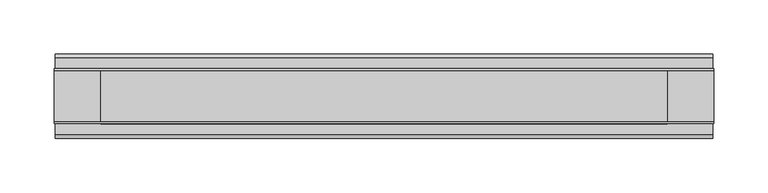
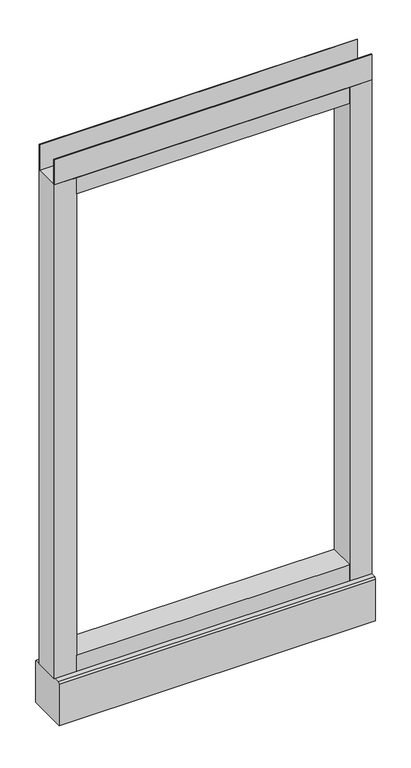
"""IFC4 building model written with IfcOpenShell, lengths in millimetres: furniture geometry."""

from ifc_helpers import new_model, si_unit, point, frame, frame_2d, origin, place, context, project, spatial, polyline, circle_curve, trimmed, segment, composite_curve, outline, extrude, source, transform, mapped, element, save
from ifc_brep_helpers import plane_surface, revolved_surface, advanced_brep


def furniture_0b25f102(model_context):
    return source(origin(), model_context, "Body", "SolidModel", [
        advanced_brep(
        [(234.95, 0.0, 6.35), (260.35, 0.0, 6.35), (228.6, 0.0, 0.0), (266.7, 0.0, 0.0)],
        [
            (0, 1, circle_curve(frame((247.65, 0.0, 6.35), z_axis=(0.0, 0.0, 1.0), x_axis=(-1.0, 0.0, 0.0)), 12.7)),
            (1, 0, circle_curve(frame((247.65, 0.0, 6.35), z_axis=(0.0, 0.0, 1.0), x_axis=(1.0, 0.0, 0.0)), 12.7)),
            (2, 3, circle_curve(frame((247.65, 0.0, 0.0), z_axis=(0.0, 0.0, -1.0), x_axis=(1.0, 0.0, 0.0)), 19.05)),
            (3, 2, circle_curve(frame((247.65, 0.0, 0.0), z_axis=(0.0, 0.0, -1.0), x_axis=(-1.0, 0.0, 0.0)), 19.05)),
            (3, 1),
            (0, 2),
        ],
        [
            plane_surface(frame((247.65, 0.0, 6.35), z_axis=(0.0, 0.0, 1.0), x_axis=(0.0, -1.0, 0.0))),
            plane_surface(frame((247.65, 0.0, 0.0), z_axis=(0.0, 0.0, -1.0), x_axis=(0.0, -1.0, 0.0))),
            revolved_surface(polyline([(234.95, 0.0, 6.35), (228.6, 0.0, 0.0)]), (247.65, 0.0, 19.05), (0.0, 0.0, -1.0)),
            revolved_surface(polyline([(260.35, 0.0, 6.35), (266.7, 0.0, 0.0)]), (247.65, 0.0, 19.05), (0.0, 0.0, -1.0)),
        ],
        [
            (0, [[1, 2]]),
            (1, [[3, 4]]),
            (2, [[-4, 5, -1, 6]]),
            (3, [[-3, -6, -2, -5]]),
        ],
    ),
        advanced_brep(
        [(-260.35, 0.0, 6.35), (-234.95, 0.0, 6.35), (-266.7, 0.0, 0.0), (-228.6, 0.0, 0.0)],
        [
            (0, 1, circle_curve(frame((-247.65, 0.0, 6.35), z_axis=(0.0, 0.0, 1.0), x_axis=(-1.0, 0.0, 0.0)), 12.7)),
            (1, 0, circle_curve(frame((-247.65, 0.0, 6.35), z_axis=(0.0, 0.0, 1.0), x_axis=(1.0, 0.0, 0.0)), 12.7)),
            (2, 3, circle_curve(frame((-247.65, 0.0, 0.0), z_axis=(0.0, 0.0, -1.0), x_axis=(1.0, 0.0, 0.0)), 19.05)),
            (3, 2, circle_curve(frame((-247.65, 0.0, 0.0), z_axis=(0.0, 0.0, -1.0), x_axis=(-1.0, 0.0, 0.0)), 19.05)),
            (3, 1),
            (0, 2),
        ],
        [
            plane_surface(frame((-247.65, 0.0, 6.35), z_axis=(0.0, 0.0, 1.0), x_axis=(0.0, -1.0, 0.0))),
            plane_surface(frame((-247.65, 0.0, 0.0), z_axis=(0.0, 0.0, -1.0), x_axis=(0.0, -1.0, 0.0))),
            revolved_surface(polyline([(-260.35, 0.0, 6.35), (-266.7, 0.0, 0.0)]), (-247.65, 0.0, 19.05), (0.0, 0.0, -1.0)),
            revolved_surface(polyline([(-234.95, 0.0, 6.35), (-228.6, 0.0, 0.0)]), (-247.65, 0.0, 19.05), (0.0, 0.0, -1.0)),
        ],
        [
            (0, [[1, 2]]),
            (1, [[3, 4]]),
            (2, [[-4, 5, -1, 6]]),
            (3, [[-3, -6, -2, -5]]),
        ],
    ),
        extrude(outline(polyline([(304.8, -23.8125), (304.8, -25.4), (-304.8, -25.4), (-304.8, -23.8125), (304.8, -23.8125)])), frame((0.0, 0.0, 1102.233), z_axis=(0.0, 0.0, 1.0), x_axis=(1.0, 0.0, 0.0)), (0.0, 0.0, 1.0), 51.435),
        extrude(outline(polyline([(304.8, 25.4), (304.8, 23.8125), (-304.8, 23.8125), (-304.8, 25.4), (304.8, 25.4)])), frame((0.0, 0.0, 1102.233), z_axis=(0.0, 0.0, 1.0), x_axis=(1.0, 0.0, 0.0)), (0.0, 0.0, 1.0), 51.435),
        extrude(outline(polyline([(261.9375, -25.4), (-261.9375, -25.4), (-261.9375, 25.4), (261.9375, 25.4), (261.9375, -25.4)])), frame((0.0, 0.0, 1069.34), z_axis=(0.0, 0.0, 1.0), x_axis=(1.0, 0.0, 0.0)), (0.0, 0.0, 1.0), 32.893),
        extrude(outline(polyline([(261.9375, -25.4), (-261.9375, -25.4), (-261.9375, 25.4), (261.9375, 25.4), (261.9375, -25.4)])), frame((0.0, 0.0, 101.6), z_axis=(0.0, 0.0, 1.0), x_axis=(1.0, 0.0, 0.0)), (0.0, 0.0, 1.0), 32.893),
        extrude(outline(composite_curve([segment(trimmed(circle_curve(frame_2d((-247.65, 0.0)), 5.55625), [point((-253.20625, 0.0))], [point((-242.09375, 0.0))], False, "CARTESIAN"), True, "CONTINUOUS"), segment(trimmed(circle_curve(frame_2d((-247.65, 0.0)), 5.55625), [point((-242.09375, 0.0))], [point((-253.20625, 0.0))], False, "CARTESIAN"), True, "CONTINUOUS")], self_intersect=False)), frame((0.0, 0.0, 6.35), z_axis=(0.0, 0.0, 1.0), x_axis=(1.0, 0.0, 0.0)), (0.0, 0.0, 1.0), 7.9375),
        extrude(outline(composite_curve([segment(trimmed(circle_curve(frame_2d((247.65, 0.0)), 5.55625), [point((242.09375, 0.0))], [point((253.20625, 0.0))], False, "CARTESIAN"), True, "CONTINUOUS"), segment(trimmed(circle_curve(frame_2d((247.65, 0.0)), 5.55625), [point((253.20625, 0.0))], [point((242.09375, 0.0))], False, "CARTESIAN"), True, "CONTINUOUS")], self_intersect=False)), frame((0.0, 0.0, 6.35), z_axis=(0.0, 0.0, 1.0), x_axis=(1.0, 0.0, 0.0)), (0.0, 0.0, 1.0), 7.9375),
        extrude(outline(polyline([(-261.9375, -25.4), (-304.8, -25.4), (-304.8, 25.4), (-261.9375, 25.4), (-261.9375, -25.4)])), frame((0.0, 0.0, 101.6), z_axis=(0.0, 0.0, 1.0), x_axis=(1.0, 0.0, 0.0)), (0.0, 0.0, 1.0), 1000.633),
        extrude(outline(polyline([(304.8, -25.4), (261.9375, -25.4), (261.9375, 25.4), (304.8, 25.4), (304.8, -25.4)])), frame((0.0, 0.0, 101.6), z_axis=(0.0, 0.0, 1.0), x_axis=(1.0, 0.0, 0.0)), (0.0, 0.0, 1.0), 1000.633),
        extrude(outline(polyline([(-35.9171875, 101.6), (35.9171875, 101.6), (39.0921875, 98.425), (39.0921875, 14.2875), (-39.0921875, 14.2875), (-39.0921875, 98.425), (-35.9171875, 101.6)])), frame((-303.657, 0.0, 0.0), z_axis=(1.0, 0.0, 0.0), x_axis=(0.0, 1.0, 0.0)), (0.0, 0.0, 1.0), 607.3140102),
    ])


if __name__ == "__main__":
    model = new_model("IFC4")
    model_context = context("Model", 3, world=origin())
    ifc_project = project(units=[si_unit("LENGTHUNIT", "METRE", prefix="MILLI")], contexts=[model_context])
    site = spatial("IfcSite", under=ifc_project)
    building = spatial("IfcBuilding", under=site)
    placement = place(None, origin())
    furniture_shape = furniture_0b25f102(model_context)
    element("IfcFurniture", 1, at=placement, inside=building, context=model_context, shape_type="MappedRepresentation", body=[
        mapped(furniture_shape, transform((0.0, 0.0, 0.0), x_axis=(1.0, 0.0, 0.0), y_axis=(0.0, 1.0, 0.0), z_axis=(0.0, 0.0, 1.0))),
    ])
    save(model, "model.ifc")
